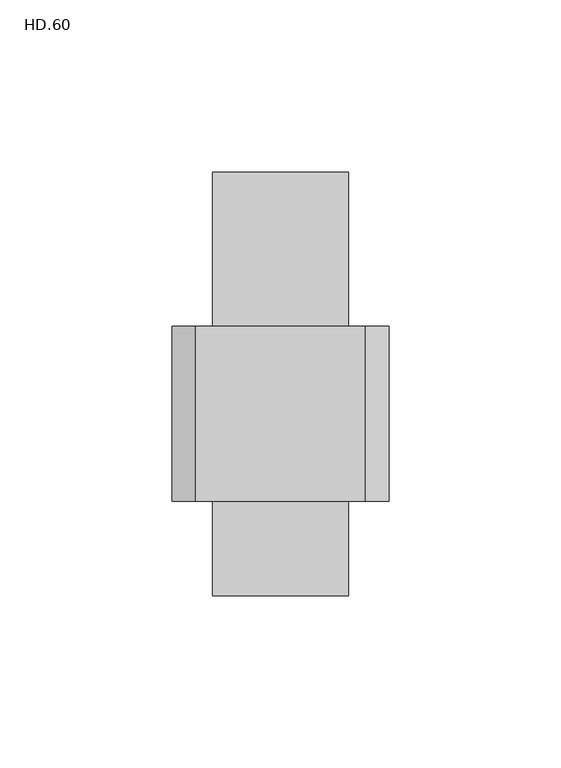
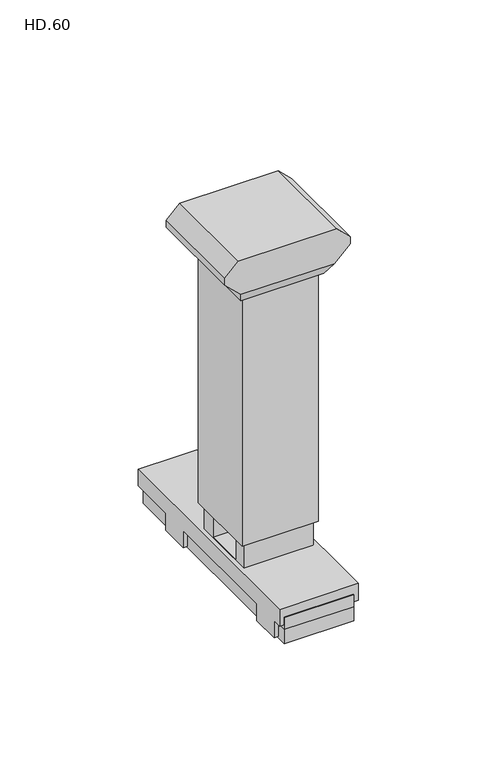
"""IFC4 building model written with IfcOpenShell, lengths in millimetres: proxy geometry, HD.60."""

from ifc_helpers import new_model, si_unit, frame, origin, origin_with_axes, place, context, project, spatial, polyline, outline, extrude, faceted_brep, source, transform, mapped, element, save


def hd_60_38c93cae(model_context):
    return source(origin(), model_context, "Body", "SolidModel", [
        extrude(outline(polyline([(-19.05, -19.05), (-19.05, 19.05), (19.05, 19.05), (19.05, -19.05), (-19.05, -19.05)]), holes=[polyline([(-17.399, -17.399), (17.399, -17.399), (17.399, 17.399), (-17.399, 17.399), (-17.399, -17.399)])]), frame((0.0, 0.0, 31.75), z_axis=(0.0, 0.0, 1.0), x_axis=(1.0, 0.0, 0.0)), (0.0, 0.0, 1.0), 152.4),
        extrude(outline(polyline([(-17.399, 72.7692489), (-11.049, 72.7692489), (-11.049, 19.1102704), (9.081, 19.1102704), (9.081, 70.1320224), (16.701, 70.1320224), (16.701, 13.88), (70.1086606, 13.88), (70.1086606, 7.53), (-52.7089, 7.53), (-52.7089, 13.88), (-17.399, 13.88), (-17.399, 72.7692489)])), frame((-17.399, 0.0, 0.0), z_axis=(1.0, 0.0, 0.0), x_axis=(0.0, 1.0, 0.0)), (0.0, 0.0, 1.0), 34.798),
        extrude(outline(polyline([(17.399, -52.7089), (-17.399, -52.7089), (-17.399, 70.1086606), (17.399, 70.1086606), (17.399, -52.7089)])), origin_with_axes(), (0.0, 0.0, 1.0), 7.53),
        faceted_brep([(23.403098, 25.4, 170.8192153), (-23.403098, 25.4, 170.8192153), (-31.4506428, 25.4, 178.4427679), (-31.4506428, 25.4, 182.1736684), (-24.7113112, 25.4, 188.913), (24.7113112, 25.4, 188.913), (31.4506428, 25.4, 182.1736684), (31.4506428, 25.4, 178.4427679), (-23.403098, -25.4, 170.8192153), (23.403098, -25.4, 170.8192153), (31.4506428, -25.4, 178.4427679), (31.4506428, -25.4, 182.1736684), (24.7113112, -25.4, 188.913), (-24.7113112, -25.4, 188.913), (-31.4506428, -25.4, 182.1736684), (-31.4506428, -25.4, 178.4427679), (20.86, -20.86, 163.913), (-20.8604649, -20.86, 163.913), (-20.8604649, 20.86, 163.913), (20.86, 20.86, 163.913)], [[[0, 1, 2, 3, 4, 5, 6, 7]], [[8, 9, 10, 11, 12, 13, 14, 15]], [[7, 10, 9, 0]], [[6, 11, 10, 7]], [[5, 12, 11, 6]], [[4, 13, 12, 5]], [[3, 14, 13, 4]], [[2, 15, 14, 3]], [[1, 8, 15, 2]], [[16, 17, 18, 19]], [[16, 9, 8, 17]], [[17, 8, 1, 18]], [[18, 1, 0, 19]], [[19, 0, 9, 16]]]),
        faceted_brep([(19.7786805, 70.1086606, 18.96), (19.7786805, -52.7089, 18.96), (19.7786805, -52.7089, 10.07), (19.7786805, -47.9256955, 10.07), (19.7786805, -47.9256955, 1.0), (19.7786805, -32.8213205, 1.0), (19.7786805, -32.8213205, 10.07), (19.7786805, 31.0863205, 10.07), (19.7786805, 31.0863205, 1.0), (19.7786805, 46.1906955, 1.0), (19.7786805, 46.1906955, 10.07), (19.7786805, 70.1086606, 10.07), (-19.7729575, 70.1086606, 18.96), (-19.7729575, 70.1086606, 10.07), (-19.7729575, 46.1906955, 10.07), (-19.7729575, 46.1906955, 1.0), (-19.7729575, 31.0863205, 1.0), (-19.7729575, 31.0863205, 10.07), (-19.7729575, -32.8213205, 10.07), (-19.7729575, -32.8213205, 1.0), (-19.7729575, -47.9256955, 1.0), (-19.7729575, -47.9256955, 10.07), (-19.7729575, -52.7089, 10.07), (-19.7729575, -52.7089, 18.96), (17.399, 70.1086606, 10.07), (17.399, 70.1086606, 13.88), (-17.399, 70.1086606, 13.88), (-17.399, 70.1086606, 10.07), (-17.399, 46.1906955, 10.07), (17.399, 46.1906955, 10.07), (-17.399, -52.7089, 10.07), (-17.399, -52.7089, 13.88), (17.399, -52.7089, 13.88), (17.399, -52.7089, 10.07), (17.399, -17.399, 18.96), (-17.399, -17.399, 18.96), (-17.399, 16.701, 18.96), (17.399, 16.701, 18.96), (-17.399, 46.1906955, 7.53), (17.399, 46.1906955, 7.53), (17.399, 31.0863205, 10.07), (17.399, 31.0863205, 7.53), (-17.399, 31.0863205, 7.53), (-17.399, 31.0863205, 10.07), (-17.399, -32.8213205, 10.07), (17.399, -32.8213205, 10.07), (-17.399, -32.8213205, 7.53), (17.399, -32.8213205, 7.53), (17.399, -47.9256955, 10.07), (17.399, -47.9256955, 7.53), (-17.399, -47.9256955, 7.53), (-17.399, -47.9256955, 10.07), (17.399, -17.399, 13.88), (17.399, 16.701, 13.88), (-17.399, 16.701, 13.88), (-17.399, -17.399, 13.88)], [[[0, 1, 2, 3, 4, 5, 6, 7, 8, 9, 10, 11]], [[12, 13, 14, 15, 16, 17, 18, 19, 20, 21, 22, 23]], [[11, 24, 25, 26, 27, 13, 12, 0]], [[13, 27, 28, 14]], [[10, 29, 24, 11]], [[1, 23, 22, 30, 31, 32, 33, 2]], [[0, 12, 23, 1], [34, 35, 36, 37]], [[9, 15, 14, 28, 38, 39, 29, 10]], [[8, 16, 15, 9]], [[7, 40, 41, 42, 43, 17, 16, 8]], [[17, 43, 44, 18]], [[6, 45, 40, 7]], [[5, 19, 18, 44, 46, 47, 45, 6]], [[4, 20, 19, 5]], [[3, 48, 49, 50, 51, 21, 20, 4]], [[2, 33, 48, 3]], [[21, 51, 30, 22]], [[41, 40, 45, 47, 49, 48, 33, 32, 52, 34, 37, 53, 25, 24, 29, 39]], [[25, 53, 54, 26]], [[31, 55, 52, 32]], [[38, 28, 27, 26, 54, 36, 35, 55, 31, 30, 51, 50, 46, 44, 43, 42]], [[52, 55, 35, 34]], [[37, 36, 54, 53]], [[42, 41, 39, 38]], [[50, 49, 47, 46]]]),
    ])


if __name__ == "__main__":
    model = new_model("IFC4")
    model_context = context("Model", 3, world=origin())
    ifc_project = project(units=[si_unit("LENGTHUNIT", "METRE", prefix="MILLI")], contexts=[model_context])
    site = spatial("IfcSite", under=ifc_project)
    building = spatial("IfcBuilding", under=site)
    placement = place(None, origin())
    hd_60_shape = hd_60_38c93cae(model_context)
    element("IfcBuildingElementProxy", 1, Name="HD.60", ObjectType="HD.60", at=placement, inside=building, context=model_context, shape_type="MappedRepresentation", body=[
        mapped(hd_60_shape, transform((0.0, 0.0, 0.0), x_axis=(1.0, 0.0, 0.0), y_axis=(0.0, 1.0, 0.0), z_axis=(0.0, 0.0, 1.0))),
    ])
    save(model, "model.ifc")
